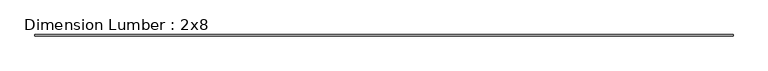
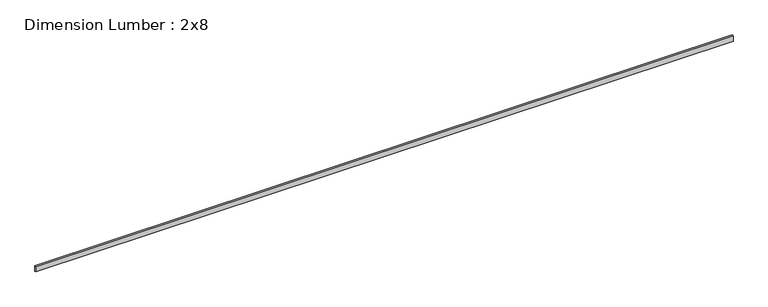
"""IFC4 building model written with IfcOpenShell, lengths in millimetres: beam geometry, Dimension Lumber : 2x8."""

from ifc_helpers import new_model, si_unit, frame, origin, place, context, project, spatial, polyline, outline, extrude, source, transform, mapped, element, save


def dimension_lumber_2x8_dcb43370(model_context):
    return source(origin(), model_context, "Body", "SweptSolid", [
        extrude(outline(polyline([(11193.6217892, 19.05), (11193.6217892, -19.05), (-11193.6217892, -19.05), (-11193.6217892, 19.05), (11193.6217892, 19.05)])), frame((0.0, 0.0, -92.075), z_axis=(0.0, 0.0, 1.0), x_axis=(1.0, 0.0, 0.0)), (0.0, 0.0, 1.0), 184.15),
    ])


if __name__ == "__main__":
    model = new_model("IFC4")
    model_context = context("Model", 3, world=origin())
    ifc_project = project(units=[si_unit("LENGTHUNIT", "METRE", prefix="MILLI")], contexts=[model_context])
    site = spatial("IfcSite", under=ifc_project)
    building = spatial("IfcBuilding", under=site)
    placement = place(None, origin())
    dimension_lumber_2x8_shape = dimension_lumber_2x8_dcb43370(model_context)
    element("IfcBeam", 1, ObjectType="Dimension Lumber : 2x8", at=placement, inside=building, context=model_context, shape_type="MappedRepresentation", body=[
        mapped(dimension_lumber_2x8_shape, transform((0.0, 0.0, 0.0), x_axis=(1.0, 0.0, 0.0), y_axis=(0.0, 1.0, 0.0), z_axis=(0.0, 0.0, 1.0))),
    ])
    save(model, "model.ifc")
